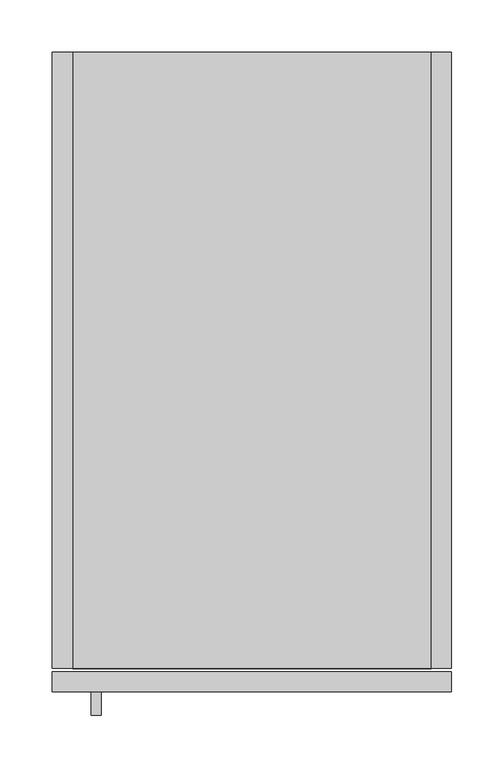
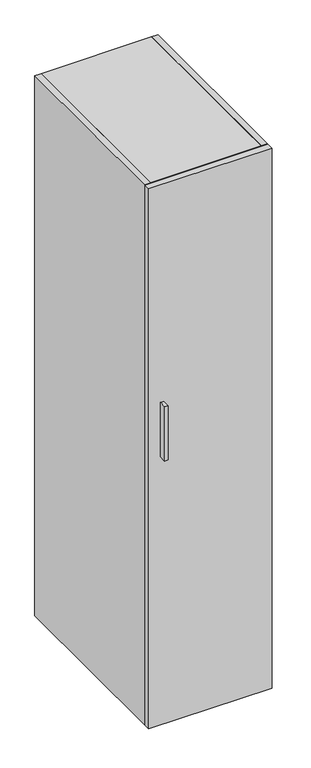
"""IFC4 building model written with IfcOpenShell, lengths in millimetres: furniture geometry."""

import ifcopenshell
import ifcopenshell.guid

model = None  # the IFC model being written
_history = None  # IfcOwnerHistory: only IFC2X3 demands one
_inside = {}  # id of a spatial element -> (the spatial element, [elements in it])
_under = {}  # id of a project, library or spatial element -> (it, [spatial elements below it])
_declared = {}  # id of a project -> (the project, [libraries it declares])
_typed = {}  # id of a type object -> (the type object, [elements of that type])
_made_of = {}  # id of a material, layer set ... -> (it, [elements and type objects made of it])


def new_model(schema):
    """Start an empty IFC model of exactly this schema.

    Asked for "IFC4X3", IfcOpenShell would pick the latest addendum, in which some entities
    have other attributes; the version numbers below select the first issue.
    IFC2X3 requires an IfcOwnerHistory on every rooted entity: one is made here for all.
    """
    global model, _history
    if schema == "IFC4X3":
        model = ifcopenshell.file(schema_version=(4, 3, 0, 0))
    else:
        model = ifcopenshell.file(schema=schema)
    _inside.clear()
    _under.clear()
    _declared.clear()
    _typed.clear()
    _made_of.clear()
    _history = None
    if model.schema == "IFC2X3":
        org = make("IfcOrganization", Name="unknown")
        user = make(
            "IfcPersonAndOrganization",
            ThePerson=make("IfcPerson", FamilyName="unknown"),
            TheOrganization=org,
        )
        app = make(
            "IfcApplication",
            ApplicationDeveloper=org,
            Version="unknown",
            ApplicationFullName="unknown",
            ApplicationIdentifier="unknown",
        )
        _history = make(
            "IfcOwnerHistory",
            OwningUser=user,
            OwningApplication=app,
            ChangeAction="ADDED",
            CreationDate=0,
        )
    return model


def make(cls, **values):
    """One entity of the class cls with the attributes given. An attribute that is None is left unset."""
    return model.create_entity(
        cls, **{name: value for name, value in values.items() if value is not None}
    )


def rooted(cls, **values):
    """An entity with a GlobalId (a new one), such as an element, a storey or a relation."""
    return make(cls, GlobalId=ifcopenshell.guid.new(), OwnerHistory=_history, **values)


def si_unit(unit_type, name, prefix=None):
    """IfcSIUnit, for example si_unit("LENGTHUNIT", "METRE", prefix="MILLI")."""
    return make("IfcSIUnit", UnitType=unit_type, Prefix=prefix, Name=name)


def assignment(units):
    """IfcUnitAssignment: the units of a project."""
    return None if units is None else make("IfcUnitAssignment", Units=units)


def point(xyz):
    """IfcCartesianPoint."""
    return None if xyz is None else make("IfcCartesianPoint", Coordinates=xyz)


def direction(xyz):
    """IfcDirection."""
    return None if xyz is None else make("IfcDirection", DirectionRatios=xyz)


def frame(location, z_axis=None, x_axis=None):
    """IfcAxis2Placement3D, a coordinate frame: its origin and axes. An axis left out is left unset."""
    return make(
        "IfcAxis2Placement3D",
        Location=point(location),
        Axis=direction(z_axis),
        RefDirection=direction(x_axis),
    )


def origin():
    """The frame at (0, 0, 0) with its axes left unset."""
    return frame((0.0, 0.0, 0.0))


def place(relative_to, where):
    """IfcLocalPlacement: puts the frame where relative to a parent placement (None: the world)."""
    return make(
        "IfcLocalPlacement", PlacementRelTo=relative_to, RelativePlacement=where
    )


def context(
    kind, dimensions, precision=None, world=None, true_north=None, identifier=None
):
    """IfcGeometricRepresentationContext, for example the 3D "Model" context."""
    return make(
        "IfcGeometricRepresentationContext",
        ContextIdentifier=identifier,
        ContextType=kind,
        CoordinateSpaceDimension=dimensions,
        Precision=precision,
        WorldCoordinateSystem=world,
        TrueNorth=true_north,
    )


def project(units=None, contexts=None):
    """IfcProject with its units and contexts."""
    return rooted(
        "IfcProject",
        Name="project",
        RepresentationContexts=contexts,
        UnitsInContext=assignment(units),
    )


def spatial(cls, under=None, at=None, **own):
    """A site, building, storey or space (cls), placed at a placement, below another one or the project."""
    s = rooted(cls, ObjectPlacement=at, **own)
    if under is not None:
        _under.setdefault(under.id(), (under, []))[1].append(s)
    return s


def polyline(points):
    """IfcPolyline through the points."""
    return make("IfcPolyline", Points=[point(p) for p in points])


def outline(outer, holes=None, kind="AREA"):
    """IfcArbitraryClosedProfileDef: a profile drawn as a closed curve; with holes, ...WithVoids."""
    if holes is None:
        return make("IfcArbitraryClosedProfileDef", ProfileType=kind, OuterCurve=outer)
    return make(
        "IfcArbitraryProfileDefWithVoids",
        ProfileType=kind,
        OuterCurve=outer,
        InnerCurves=holes,
    )


def extrude(swept, where, along, depth):
    """IfcExtrudedAreaSolid: the profile swept, set in the frame where, extruded along a direction by depth."""
    return make(
        "IfcExtrudedAreaSolid",
        SweptArea=swept,
        Position=where,
        ExtrudedDirection=direction(along),
        Depth=depth,
    )


def shape(context_of_items, identifier, shape_type, items):
    """IfcShapeRepresentation: the items that make up one representation, for example the "Body"."""
    return make(
        "IfcShapeRepresentation",
        ContextOfItems=context_of_items,
        RepresentationIdentifier=identifier,
        RepresentationType=shape_type,
        Items=items,
    )


def source(mapping_origin, context_of_items, identifier, shape_type, items):
    """IfcRepresentationMap: a shape defined once, which mapped items show again and again."""
    return make(
        "IfcRepresentationMap",
        MappingOrigin=mapping_origin,
        MappedRepresentation=shape(context_of_items, identifier, shape_type, items),
    )


def transform(
    local_origin,
    x_axis=None,
    y_axis=None,
    z_axis=None,
    scale=None,
    scale2=None,
    scale3=None,
    uniform=True,
):
    """IfcCartesianTransformationOperator3D, or its non-uniform kind. x_axis, y_axis, z_axis: its Axis1, 2, 3."""
    if uniform:
        return make(
            "IfcCartesianTransformationOperator3D",
            Axis1=direction(x_axis),
            Axis2=direction(y_axis),
            LocalOrigin=point(local_origin),
            Scale=scale,
            Axis3=direction(z_axis),
        )
    return make(
        "IfcCartesianTransformationOperator3DnonUniform",
        Axis1=direction(x_axis),
        Axis2=direction(y_axis),
        LocalOrigin=point(local_origin),
        Scale=scale,
        Axis3=direction(z_axis),
        Scale2=scale2,
        Scale3=scale3,
    )


def mapped(mapping_source, mapping_target):
    """IfcMappedItem: shows the shape of a source again, moved by a transform."""
    return make(
        "IfcMappedItem", MappingSource=mapping_source, MappingTarget=mapping_target
    )


def made_of(thing, what):
    """Note that an element or type object is made of a material, layer set ...; save() writes the relation."""
    if what is not None:
        _made_of.setdefault(what.id(), (what, []))[1].append(thing)
    return thing


def element(
    cls,
    number,
    at=None,
    inside=None,
    cuts=None,
    type_object=None,
    material=None,
    context=None,
    identifier="Body",
    shape_type=None,
    held_by="IfcProductDefinitionShape",
    body=None,
    shapes=None,
    **own,
):
    """One element of the class cls, such as IfcWall. Its Tag is "e" and its number.

    at: its placement. inside: the storey or other place that contains it. cuts: it is an
    opening in that element (IfcRelVoidsElement). A single representation is given by context,
    identifier, shape_type and body (its items); several are given by shapes. held_by: the class
    of the entity that holds the representations. save() writes the other relations.
    """
    e = rooted(cls, Tag="e%d" % number, ObjectPlacement=at, **own)
    if body is not None:
        shapes = [shape(context, identifier, shape_type, body)]
    if shapes is not None:
        e.Representation = make(held_by, Representations=shapes)
    if inside is not None:
        _inside.setdefault(inside.id(), (inside, []))[1].append(e)
    if cuts is not None:
        rooted(
            "IfcRelVoidsElement", RelatingBuildingElement=cuts, RelatedOpeningElement=e
        )
    if type_object is not None:
        _typed.setdefault(type_object.id(), (type_object, []))[1].append(e)
    return made_of(e, material)


def aggregate(whole, parts):
    """IfcRelAggregates: a whole, such as a stair, and the parts it consists of."""
    return rooted("IfcRelAggregates", RelatingObject=whole, RelatedObjects=parts)


def save(model, path):
    """Write the relations noted so far, then the file.

    IfcRelAggregates (storeys below a building ...), IfcRelContainedInSpatialStructure (elements
    in a storey), IfcRelDefinesByType, IfcRelAssociatesMaterial and IfcRelDeclares: one each for
    every whole, place, type object, material and project.
    """
    for whole, parts in _under.values():
        aggregate(whole, parts)
    for where, things in _inside.values():
        rooted(
            "IfcRelContainedInSpatialStructure",
            RelatedElements=things,
            RelatingStructure=where,
        )
    for kind, things in _typed.values():
        rooted("IfcRelDefinesByType", RelatedObjects=things, RelatingType=kind)
    for what, things in _made_of.values():
        rooted("IfcRelAssociatesMaterial", RelatedObjects=things, RelatingMaterial=what)
    for by, libraries in _declared.values():
        rooted("IfcRelDeclares", RelatingContext=by, RelatedDefinitions=libraries)
    model.write(path)


def furniture_21b8bcd1(model_context):
    return source(origin(), model_context, "Body", "SweptSolid", [
        extrude(outline(polyline([(46.6713631, -632.079), (37.1463631, -632.079), (37.1463631, -609.854), (46.6713631, -609.854), (46.6713631, -632.079)])), frame((0.0, 0.0, 977.9000121), z_axis=(0.0, 0.0, 1.0), x_axis=(1.0, 0.0, 0.0)), (0.0, 0.0, 1.0), 177.8),
        extrude(outline(polyline([(19.304, 0.0), (19.304, -587.375), (0.0, -587.375), (0.0, 0.0), (19.304, 0.0)])), frame((0.0, 0.0, 101.6), z_axis=(0.0, 0.0, 1.0), x_axis=(1.0, 0.0, 0.0)), (0.0, 0.0, 1.0), 1765.3),
        extrude(outline(polyline([(381.0, 0.0), (381.0, -587.375), (361.696, -587.375), (361.696, 0.0), (381.0, 0.0)])), frame((0.0, 0.0, 101.6), z_axis=(0.0, 0.0, 1.0), x_axis=(1.0, 0.0, 0.0)), (0.0, 0.0, 1.0), 1765.3),
        extrude(outline(polyline([(361.696, -12.7), (361.696, -32.004), (19.304, -32.004), (19.304, -12.7), (361.696, -12.7)])), frame((0.0, 0.0, 101.6), z_axis=(0.0, 0.0, 1.0), x_axis=(1.0, 0.0, 0.0)), (0.0, 0.0, 1.0), 1745.996),
        extrude(outline(polyline([(361.696, -587.375), (19.304, -587.375), (19.304, -32.004), (361.696, -32.004), (361.696, -587.375)])), frame((0.0, 0.0, 101.6), z_axis=(0.0, 0.0, 1.0), x_axis=(1.0, 0.0, 0.0)), (0.0, 0.0, 1.0), 19.304),
        extrude(outline(polyline([(361.696, -587.375), (19.304, -587.375), (19.304, 0.0), (361.696, 0.0), (361.696, -587.375)])), frame((0.0, 0.0, 1847.596), z_axis=(0.0, 0.0, 1.0), x_axis=(1.0, 0.0, 0.0)), (0.0, 0.0, 1.0), 19.304),
        extrude(outline(polyline([(381.0, -609.854), (0.0, -609.854), (0.0, -590.55), (381.0, -590.55), (381.0, -609.854)])), frame((0.0, 0.0, 101.6), z_axis=(0.0, 0.0, 1.0), x_axis=(1.0, 0.0, 0.0)), (0.0, 0.0, 1.0), 1765.3),
    ])


if __name__ == "__main__":
    model = new_model("IFC4")
    model_context = context("Model", 3, world=origin())
    ifc_project = project(units=[si_unit("LENGTHUNIT", "METRE", prefix="MILLI")], contexts=[model_context])
    site = spatial("IfcSite", under=ifc_project)
    building = spatial("IfcBuilding", under=site)
    placement = place(None, origin())
    furniture_shape = furniture_21b8bcd1(model_context)
    element("IfcFurniture", 1, at=placement, inside=building, context=model_context, shape_type="MappedRepresentation", body=[
        mapped(furniture_shape, transform((0.0, 0.0, 0.0), x_axis=(1.0, 0.0, 0.0), y_axis=(0.0, 1.0, 0.0), z_axis=(0.0, 0.0, 1.0))),
    ])
    save(model, "model.ifc")
